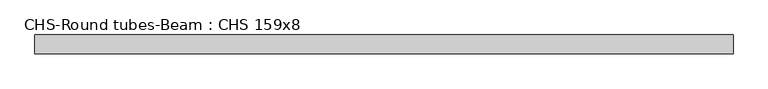
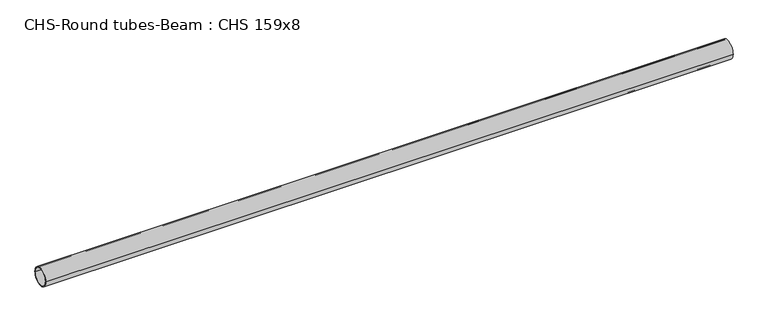
"""IFC4 building model written with IfcOpenShell, lengths in millimetres: beam geometry, CHS-Round tubes-Beam : CHS 159x8."""

import ifcopenshell
import ifcopenshell.guid

model = None  # the IFC model being written
_history = None  # IfcOwnerHistory: only IFC2X3 demands one
_inside = {}  # id of a spatial element -> (the spatial element, [elements in it])
_under = {}  # id of a project, library or spatial element -> (it, [spatial elements below it])
_declared = {}  # id of a project -> (the project, [libraries it declares])
_typed = {}  # id of a type object -> (the type object, [elements of that type])
_made_of = {}  # id of a material, layer set ... -> (it, [elements and type objects made of it])


def new_model(schema):
    """Start an empty IFC model of exactly this schema.

    Asked for "IFC4X3", IfcOpenShell would pick the latest addendum, in which some entities
    have other attributes; the version numbers below select the first issue.
    IFC2X3 requires an IfcOwnerHistory on every rooted entity: one is made here for all.
    """
    global model, _history
    if schema == "IFC4X3":
        model = ifcopenshell.file(schema_version=(4, 3, 0, 0))
    else:
        model = ifcopenshell.file(schema=schema)
    _inside.clear()
    _under.clear()
    _declared.clear()
    _typed.clear()
    _made_of.clear()
    _history = None
    if model.schema == "IFC2X3":
        org = make("IfcOrganization", Name="unknown")
        user = make(
            "IfcPersonAndOrganization",
            ThePerson=make("IfcPerson", FamilyName="unknown"),
            TheOrganization=org,
        )
        app = make(
            "IfcApplication",
            ApplicationDeveloper=org,
            Version="unknown",
            ApplicationFullName="unknown",
            ApplicationIdentifier="unknown",
        )
        _history = make(
            "IfcOwnerHistory",
            OwningUser=user,
            OwningApplication=app,
            ChangeAction="ADDED",
            CreationDate=0,
        )
    return model


def make(cls, **values):
    """One entity of the class cls with the attributes given. An attribute that is None is left unset."""
    return model.create_entity(
        cls, **{name: value for name, value in values.items() if value is not None}
    )


def rooted(cls, **values):
    """An entity with a GlobalId (a new one), such as an element, a storey or a relation."""
    return make(cls, GlobalId=ifcopenshell.guid.new(), OwnerHistory=_history, **values)


def si_unit(unit_type, name, prefix=None):
    """IfcSIUnit, for example si_unit("LENGTHUNIT", "METRE", prefix="MILLI")."""
    return make("IfcSIUnit", UnitType=unit_type, Prefix=prefix, Name=name)


def assignment(units):
    """IfcUnitAssignment: the units of a project."""
    return None if units is None else make("IfcUnitAssignment", Units=units)


def point(xyz):
    """IfcCartesianPoint."""
    return None if xyz is None else make("IfcCartesianPoint", Coordinates=xyz)


def direction(xyz):
    """IfcDirection."""
    return None if xyz is None else make("IfcDirection", DirectionRatios=xyz)


def frame(location, z_axis=None, x_axis=None):
    """IfcAxis2Placement3D, a coordinate frame: its origin and axes. An axis left out is left unset."""
    return make(
        "IfcAxis2Placement3D",
        Location=point(location),
        Axis=direction(z_axis),
        RefDirection=direction(x_axis),
    )


def frame_2d(location, x_axis=None):
    """IfcAxis2Placement2D, a coordinate frame in the plane: its origin and x axis."""
    return make(
        "IfcAxis2Placement2D", Location=point(location), RefDirection=direction(x_axis)
    )


def origin():
    """The frame at (0, 0, 0) with its axes left unset."""
    return frame((0.0, 0.0, 0.0))


def origin_2d():
    """The frame at (0, 0) in the plane with its x axis left unset."""
    return frame_2d((0.0, 0.0))


def place(relative_to, where):
    """IfcLocalPlacement: puts the frame where relative to a parent placement (None: the world)."""
    return make(
        "IfcLocalPlacement", PlacementRelTo=relative_to, RelativePlacement=where
    )


def context(
    kind, dimensions, precision=None, world=None, true_north=None, identifier=None
):
    """IfcGeometricRepresentationContext, for example the 3D "Model" context."""
    return make(
        "IfcGeometricRepresentationContext",
        ContextIdentifier=identifier,
        ContextType=kind,
        CoordinateSpaceDimension=dimensions,
        Precision=precision,
        WorldCoordinateSystem=world,
        TrueNorth=true_north,
    )


def project(units=None, contexts=None):
    """IfcProject with its units and contexts."""
    return rooted(
        "IfcProject",
        Name="project",
        RepresentationContexts=contexts,
        UnitsInContext=assignment(units),
    )


def spatial(cls, under=None, at=None, **own):
    """A site, building, storey or space (cls), placed at a placement, below another one or the project."""
    s = rooted(cls, ObjectPlacement=at, **own)
    if under is not None:
        _under.setdefault(under.id(), (under, []))[1].append(s)
    return s


def circle_curve(where, radius):
    """IfcCircle in the frame where."""
    return make("IfcCircle", Position=where, Radius=radius)


def trimmed(basis, trim1, trim2, sense, master):
    """IfcTrimmedCurve: the piece of a basis curve between two trims."""
    return make(
        "IfcTrimmedCurve",
        BasisCurve=basis,
        Trim1=trim1,
        Trim2=trim2,
        SenseAgreement=sense,
        MasterRepresentation=master,
    )


def segment(curve, same_sense, transition):
    """IfcCompositeCurveSegment."""
    return make(
        "IfcCompositeCurveSegment",
        Transition=transition,
        SameSense=same_sense,
        ParentCurve=curve,
    )


def composite_curve(segments, self_intersect=None):
    """IfcCompositeCurve: segments joined end to end."""
    return make("IfcCompositeCurve", Segments=segments, SelfIntersect=self_intersect)


def outline(outer, holes=None, kind="AREA"):
    """IfcArbitraryClosedProfileDef: a profile drawn as a closed curve; with holes, ...WithVoids."""
    if holes is None:
        return make("IfcArbitraryClosedProfileDef", ProfileType=kind, OuterCurve=outer)
    return make(
        "IfcArbitraryProfileDefWithVoids",
        ProfileType=kind,
        OuterCurve=outer,
        InnerCurves=holes,
    )


def extrude(swept, where, along, depth):
    """IfcExtrudedAreaSolid: the profile swept, set in the frame where, extruded along a direction by depth."""
    return make(
        "IfcExtrudedAreaSolid",
        SweptArea=swept,
        Position=where,
        ExtrudedDirection=direction(along),
        Depth=depth,
    )


def shape(context_of_items, identifier, shape_type, items):
    """IfcShapeRepresentation: the items that make up one representation, for example the "Body"."""
    return make(
        "IfcShapeRepresentation",
        ContextOfItems=context_of_items,
        RepresentationIdentifier=identifier,
        RepresentationType=shape_type,
        Items=items,
    )


def source(mapping_origin, context_of_items, identifier, shape_type, items):
    """IfcRepresentationMap: a shape defined once, which mapped items show again and again."""
    return make(
        "IfcRepresentationMap",
        MappingOrigin=mapping_origin,
        MappedRepresentation=shape(context_of_items, identifier, shape_type, items),
    )


def transform(
    local_origin,
    x_axis=None,
    y_axis=None,
    z_axis=None,
    scale=None,
    scale2=None,
    scale3=None,
    uniform=True,
):
    """IfcCartesianTransformationOperator3D, or its non-uniform kind. x_axis, y_axis, z_axis: its Axis1, 2, 3."""
    if uniform:
        return make(
            "IfcCartesianTransformationOperator3D",
            Axis1=direction(x_axis),
            Axis2=direction(y_axis),
            LocalOrigin=point(local_origin),
            Scale=scale,
            Axis3=direction(z_axis),
        )
    return make(
        "IfcCartesianTransformationOperator3DnonUniform",
        Axis1=direction(x_axis),
        Axis2=direction(y_axis),
        LocalOrigin=point(local_origin),
        Scale=scale,
        Axis3=direction(z_axis),
        Scale2=scale2,
        Scale3=scale3,
    )


def mapped(mapping_source, mapping_target):
    """IfcMappedItem: shows the shape of a source again, moved by a transform."""
    return make(
        "IfcMappedItem", MappingSource=mapping_source, MappingTarget=mapping_target
    )


def made_of(thing, what):
    """Note that an element or type object is made of a material, layer set ...; save() writes the relation."""
    if what is not None:
        _made_of.setdefault(what.id(), (what, []))[1].append(thing)
    return thing


def element(
    cls,
    number,
    at=None,
    inside=None,
    cuts=None,
    type_object=None,
    material=None,
    context=None,
    identifier="Body",
    shape_type=None,
    held_by="IfcProductDefinitionShape",
    body=None,
    shapes=None,
    **own,
):
    """One element of the class cls, such as IfcWall. Its Tag is "e" and its number.

    at: its placement. inside: the storey or other place that contains it. cuts: it is an
    opening in that element (IfcRelVoidsElement). A single representation is given by context,
    identifier, shape_type and body (its items); several are given by shapes. held_by: the class
    of the entity that holds the representations. save() writes the other relations.
    """
    e = rooted(cls, Tag="e%d" % number, ObjectPlacement=at, **own)
    if body is not None:
        shapes = [shape(context, identifier, shape_type, body)]
    if shapes is not None:
        e.Representation = make(held_by, Representations=shapes)
    if inside is not None:
        _inside.setdefault(inside.id(), (inside, []))[1].append(e)
    if cuts is not None:
        rooted(
            "IfcRelVoidsElement", RelatingBuildingElement=cuts, RelatedOpeningElement=e
        )
    if type_object is not None:
        _typed.setdefault(type_object.id(), (type_object, []))[1].append(e)
    return made_of(e, material)


def aggregate(whole, parts):
    """IfcRelAggregates: a whole, such as a stair, and the parts it consists of."""
    return rooted("IfcRelAggregates", RelatingObject=whole, RelatedObjects=parts)


def save(model, path):
    """Write the relations noted so far, then the file.

    IfcRelAggregates (storeys below a building ...), IfcRelContainedInSpatialStructure (elements
    in a storey), IfcRelDefinesByType, IfcRelAssociatesMaterial and IfcRelDeclares: one each for
    every whole, place, type object, material and project.
    """
    for whole, parts in _under.values():
        aggregate(whole, parts)
    for where, things in _inside.values():
        rooted(
            "IfcRelContainedInSpatialStructure",
            RelatedElements=things,
            RelatingStructure=where,
        )
    for kind, things in _typed.values():
        rooted("IfcRelDefinesByType", RelatedObjects=things, RelatingType=kind)
    for what, things in _made_of.values():
        rooted("IfcRelAssociatesMaterial", RelatedObjects=things, RelatingMaterial=what)
    for by, libraries in _declared.values():
        rooted("IfcRelDeclares", RelatingContext=by, RelatedDefinitions=libraries)
    model.write(path)


def chs_round_tubes_beam_chs_159x8_c9821295(model_context):
    return source(origin(), model_context, "Body", "SweptSolid", [
        extrude(outline(composite_curve([segment(trimmed(circle_curve(origin_2d(), 79.5), [point((79.5, 0.0))], [point((-79.5, 0.0))], False, "CARTESIAN"), True, "CONTINUOUS"), segment(trimmed(circle_curve(origin_2d(), 79.5), [point((-79.5, 0.0))], [point((79.5, 0.0))], False, "CARTESIAN"), True, "CONTINUOUS")], self_intersect=False), holes=[composite_curve([segment(trimmed(circle_curve(origin_2d(), 71.5), [point((71.5, 0.0))], [point((-71.5, 0.0))], True, "CARTESIAN"), True, "CONTINUOUS"), segment(trimmed(circle_curve(origin_2d(), 71.5), [point((-71.5, 0.0))], [point((71.5, 0.0))], True, "CARTESIAN"), True, "CONTINUOUS")], self_intersect=False)]), frame((-2945.9071661, 0.0, 0.0), z_axis=(1.0, 0.0, 0.0), x_axis=(0.0, 1.0, 0.0)), (0.0, 0.0, 1.0), 5891.8143322),
    ])


if __name__ == "__main__":
    model = new_model("IFC4")
    model_context = context("Model", 3, world=origin())
    ifc_project = project(units=[si_unit("LENGTHUNIT", "METRE", prefix="MILLI")], contexts=[model_context])
    site = spatial("IfcSite", under=ifc_project)
    building = spatial("IfcBuilding", under=site)
    placement = place(None, origin())
    chs_round_tubes_beam_chs_159x8_shape = chs_round_tubes_beam_chs_159x8_c9821295(model_context)
    element("IfcBeam", 1, ObjectType="CHS-Round tubes-Beam : CHS 159x8", at=placement, inside=building, context=model_context, shape_type="MappedRepresentation", body=[
        mapped(chs_round_tubes_beam_chs_159x8_shape, transform((0.0, 0.0, 0.0), x_axis=(1.0, 0.0, 0.0), y_axis=(0.0, 1.0, 0.0), z_axis=(0.0, 0.0, 1.0))),
    ])
    save(model, "model.ifc")
